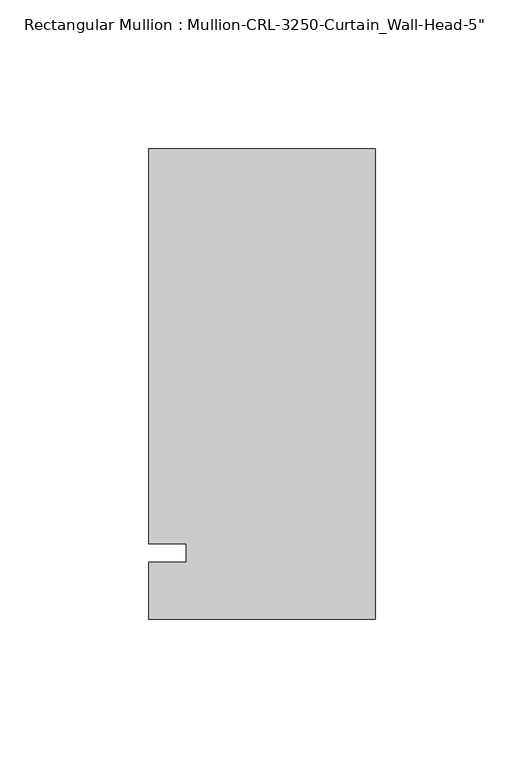
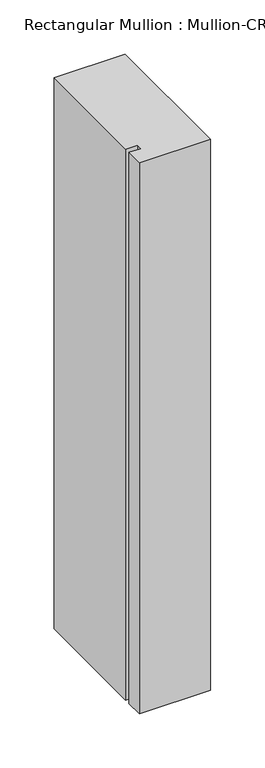
"""IFC4 building model written with IfcOpenShell, lengths in millimetres: member geometry."""

import ifcopenshell
import ifcopenshell.guid

model = None  # the IFC model being written
_history = None  # IfcOwnerHistory: only IFC2X3 demands one
_inside = {}  # id of a spatial element -> (the spatial element, [elements in it])
_under = {}  # id of a project, library or spatial element -> (it, [spatial elements below it])
_declared = {}  # id of a project -> (the project, [libraries it declares])
_typed = {}  # id of a type object -> (the type object, [elements of that type])
_made_of = {}  # id of a material, layer set ... -> (it, [elements and type objects made of it])


def new_model(schema):
    """Start an empty IFC model of exactly this schema.

    Asked for "IFC4X3", IfcOpenShell would pick the latest addendum, in which some entities
    have other attributes; the version numbers below select the first issue.
    IFC2X3 requires an IfcOwnerHistory on every rooted entity: one is made here for all.
    """
    global model, _history
    if schema == "IFC4X3":
        model = ifcopenshell.file(schema_version=(4, 3, 0, 0))
    else:
        model = ifcopenshell.file(schema=schema)
    _inside.clear()
    _under.clear()
    _declared.clear()
    _typed.clear()
    _made_of.clear()
    _history = None
    if model.schema == "IFC2X3":
        org = make("IfcOrganization", Name="unknown")
        user = make(
            "IfcPersonAndOrganization",
            ThePerson=make("IfcPerson", FamilyName="unknown"),
            TheOrganization=org,
        )
        app = make(
            "IfcApplication",
            ApplicationDeveloper=org,
            Version="unknown",
            ApplicationFullName="unknown",
            ApplicationIdentifier="unknown",
        )
        _history = make(
            "IfcOwnerHistory",
            OwningUser=user,
            OwningApplication=app,
            ChangeAction="ADDED",
            CreationDate=0,
        )
    return model


def make(cls, **values):
    """One entity of the class cls with the attributes given. An attribute that is None is left unset."""
    return model.create_entity(
        cls, **{name: value for name, value in values.items() if value is not None}
    )


def rooted(cls, **values):
    """An entity with a GlobalId (a new one), such as an element, a storey or a relation."""
    return make(cls, GlobalId=ifcopenshell.guid.new(), OwnerHistory=_history, **values)


def si_unit(unit_type, name, prefix=None):
    """IfcSIUnit, for example si_unit("LENGTHUNIT", "METRE", prefix="MILLI")."""
    return make("IfcSIUnit", UnitType=unit_type, Prefix=prefix, Name=name)


def assignment(units):
    """IfcUnitAssignment: the units of a project."""
    return None if units is None else make("IfcUnitAssignment", Units=units)


def point(xyz):
    """IfcCartesianPoint."""
    return None if xyz is None else make("IfcCartesianPoint", Coordinates=xyz)


def direction(xyz):
    """IfcDirection."""
    return None if xyz is None else make("IfcDirection", DirectionRatios=xyz)


def frame(location, z_axis=None, x_axis=None):
    """IfcAxis2Placement3D, a coordinate frame: its origin and axes. An axis left out is left unset."""
    return make(
        "IfcAxis2Placement3D",
        Location=point(location),
        Axis=direction(z_axis),
        RefDirection=direction(x_axis),
    )


def origin():
    """The frame at (0, 0, 0) with its axes left unset."""
    return frame((0.0, 0.0, 0.0))


def place(relative_to, where):
    """IfcLocalPlacement: puts the frame where relative to a parent placement (None: the world)."""
    return make(
        "IfcLocalPlacement", PlacementRelTo=relative_to, RelativePlacement=where
    )


def context(
    kind, dimensions, precision=None, world=None, true_north=None, identifier=None
):
    """IfcGeometricRepresentationContext, for example the 3D "Model" context."""
    return make(
        "IfcGeometricRepresentationContext",
        ContextIdentifier=identifier,
        ContextType=kind,
        CoordinateSpaceDimension=dimensions,
        Precision=precision,
        WorldCoordinateSystem=world,
        TrueNorth=true_north,
    )


def project(units=None, contexts=None):
    """IfcProject with its units and contexts."""
    return rooted(
        "IfcProject",
        Name="project",
        RepresentationContexts=contexts,
        UnitsInContext=assignment(units),
    )


def spatial(cls, under=None, at=None, **own):
    """A site, building, storey or space (cls), placed at a placement, below another one or the project."""
    s = rooted(cls, ObjectPlacement=at, **own)
    if under is not None:
        _under.setdefault(under.id(), (under, []))[1].append(s)
    return s


def polyline(points):
    """IfcPolyline through the points."""
    return make("IfcPolyline", Points=[point(p) for p in points])


def outline(outer, holes=None, kind="AREA"):
    """IfcArbitraryClosedProfileDef: a profile drawn as a closed curve; with holes, ...WithVoids."""
    if holes is None:
        return make("IfcArbitraryClosedProfileDef", ProfileType=kind, OuterCurve=outer)
    return make(
        "IfcArbitraryProfileDefWithVoids",
        ProfileType=kind,
        OuterCurve=outer,
        InnerCurves=holes,
    )


def extrude(swept, where, along, depth):
    """IfcExtrudedAreaSolid: the profile swept, set in the frame where, extruded along a direction by depth."""
    return make(
        "IfcExtrudedAreaSolid",
        SweptArea=swept,
        Position=where,
        ExtrudedDirection=direction(along),
        Depth=depth,
    )


def shape(context_of_items, identifier, shape_type, items):
    """IfcShapeRepresentation: the items that make up one representation, for example the "Body"."""
    return make(
        "IfcShapeRepresentation",
        ContextOfItems=context_of_items,
        RepresentationIdentifier=identifier,
        RepresentationType=shape_type,
        Items=items,
    )


def source(mapping_origin, context_of_items, identifier, shape_type, items):
    """IfcRepresentationMap: a shape defined once, which mapped items show again and again."""
    return make(
        "IfcRepresentationMap",
        MappingOrigin=mapping_origin,
        MappedRepresentation=shape(context_of_items, identifier, shape_type, items),
    )


def transform(
    local_origin,
    x_axis=None,
    y_axis=None,
    z_axis=None,
    scale=None,
    scale2=None,
    scale3=None,
    uniform=True,
):
    """IfcCartesianTransformationOperator3D, or its non-uniform kind. x_axis, y_axis, z_axis: its Axis1, 2, 3."""
    if uniform:
        return make(
            "IfcCartesianTransformationOperator3D",
            Axis1=direction(x_axis),
            Axis2=direction(y_axis),
            LocalOrigin=point(local_origin),
            Scale=scale,
            Axis3=direction(z_axis),
        )
    return make(
        "IfcCartesianTransformationOperator3DnonUniform",
        Axis1=direction(x_axis),
        Axis2=direction(y_axis),
        LocalOrigin=point(local_origin),
        Scale=scale,
        Axis3=direction(z_axis),
        Scale2=scale2,
        Scale3=scale3,
    )


def mapped(mapping_source, mapping_target):
    """IfcMappedItem: shows the shape of a source again, moved by a transform."""
    return make(
        "IfcMappedItem", MappingSource=mapping_source, MappingTarget=mapping_target
    )


def made_of(thing, what):
    """Note that an element or type object is made of a material, layer set ...; save() writes the relation."""
    if what is not None:
        _made_of.setdefault(what.id(), (what, []))[1].append(thing)
    return thing


def element(
    cls,
    number,
    at=None,
    inside=None,
    cuts=None,
    type_object=None,
    material=None,
    context=None,
    identifier="Body",
    shape_type=None,
    held_by="IfcProductDefinitionShape",
    body=None,
    shapes=None,
    **own,
):
    """One element of the class cls, such as IfcWall. Its Tag is "e" and its number.

    at: its placement. inside: the storey or other place that contains it. cuts: it is an
    opening in that element (IfcRelVoidsElement). A single representation is given by context,
    identifier, shape_type and body (its items); several are given by shapes. held_by: the class
    of the entity that holds the representations. save() writes the other relations.
    """
    e = rooted(cls, Tag="e%d" % number, ObjectPlacement=at, **own)
    if body is not None:
        shapes = [shape(context, identifier, shape_type, body)]
    if shapes is not None:
        e.Representation = make(held_by, Representations=shapes)
    if inside is not None:
        _inside.setdefault(inside.id(), (inside, []))[1].append(e)
    if cuts is not None:
        rooted(
            "IfcRelVoidsElement", RelatingBuildingElement=cuts, RelatedOpeningElement=e
        )
    if type_object is not None:
        _typed.setdefault(type_object.id(), (type_object, []))[1].append(e)
    return made_of(e, material)


def aggregate(whole, parts):
    """IfcRelAggregates: a whole, such as a stair, and the parts it consists of."""
    return rooted("IfcRelAggregates", RelatingObject=whole, RelatedObjects=parts)


def save(model, path):
    """Write the relations noted so far, then the file.

    IfcRelAggregates (storeys below a building ...), IfcRelContainedInSpatialStructure (elements
    in a storey), IfcRelDefinesByType, IfcRelAssociatesMaterial and IfcRelDeclares: one each for
    every whole, place, type object, material and project.
    """
    for whole, parts in _under.values():
        aggregate(whole, parts)
    for where, things in _inside.values():
        rooted(
            "IfcRelContainedInSpatialStructure",
            RelatedElements=things,
            RelatingStructure=where,
        )
    for kind, things in _typed.values():
        rooted("IfcRelDefinesByType", RelatedObjects=things, RelatingType=kind)
    for what, things in _made_of.values():
        rooted("IfcRelAssociatesMaterial", RelatedObjects=things, RelatingMaterial=what)
    for by, libraries in _declared.values():
        rooted("IfcRelDeclares", RelatingContext=by, RelatedDefinitions=libraries)
    model.write(path)


def member_0e2b2ec5(model_context):
    return source(origin(), model_context, "Body", "SweptSolid", [
        extrude(outline(polyline([(0.0, -22.2254168), (-76.199997, -22.2254168), (-76.199997, -3.175), (-63.499997, -3.175), (-63.499997, 3.175), (-76.199997, 3.175), (-76.199997, 136.0164463), (0.0, 136.0164463), (0.0, -22.2254168)])), frame((0.0, 0.0, -622.300003), z_axis=(0.0, 0.0, 1.0), x_axis=(1.0, 0.0, 0.0)), (0.0, 0.0, 1.0), 622.300003),
    ])


if __name__ == "__main__":
    model = new_model("IFC4")
    model_context = context("Model", 3, world=origin())
    ifc_project = project(units=[si_unit("LENGTHUNIT", "METRE", prefix="MILLI")], contexts=[model_context])
    site = spatial("IfcSite", under=ifc_project)
    building = spatial("IfcBuilding", under=site)
    placement = place(None, origin())
    member_shape = member_0e2b2ec5(model_context)
    element("IfcMember", 1, ObjectType="Rectangular Mullion : Mullion-CRL-3250-Curtain_Wall-Head-5\"", at=placement, inside=building, context=model_context, shape_type="MappedRepresentation", body=[
        mapped(member_shape, transform((0.0, 0.0, 0.0), x_axis=(1.0, 0.0, 0.0), y_axis=(0.0, 1.0, 0.0), z_axis=(0.0, 0.0, 1.0))),
    ])
    save(model, "model.ifc")
